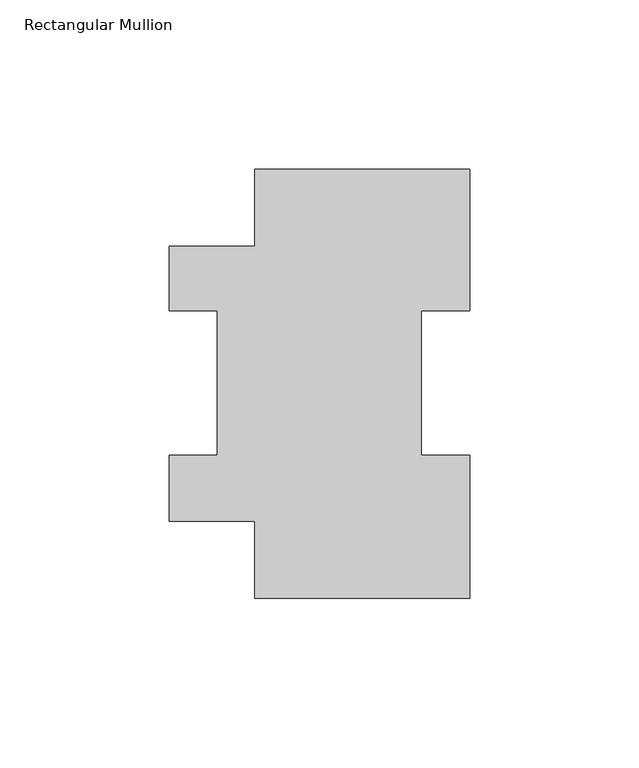
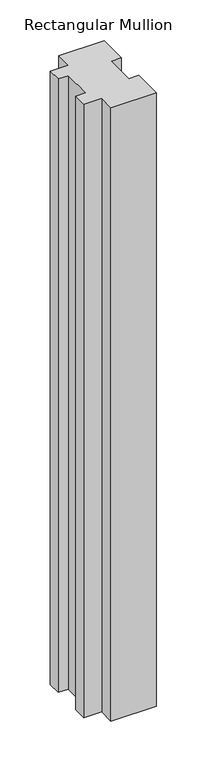
"""IFC4 building model written with IfcOpenShell, lengths in millimetres: member geometry, Rectangular Mullion."""

from ifc_helpers import new_model, si_unit, frame, origin, place, context, project, spatial, polyline, outline, extrude, source, transform, mapped, element, save


def rectangular_mullion_7852c584(model_context):
    return source(origin(), model_context, "Body", "SweptSolid", [
        extrude(outline(polyline([(31.75, 126.9888875), (31.75, 85.1296875), (17.4625, 85.1296875), (17.4625, 42.2798875), (31.75, 42.2798875), (31.75, -0.0111125), (-31.75, -0.0111125), (-31.75, 22.7980875), (-57.15, 22.7980875), (-57.15, 42.2798875), (-42.8625, 42.2798875), (-42.8625, 85.1296875), (-57.15, 85.1296875), (-57.15, 104.1796875), (-31.75, 104.1796875), (-31.75, 126.9888875), (31.75, 126.9888875)])), frame((0.0, 0.0, -914.4), z_axis=(0.0, 0.0, 1.0), x_axis=(1.0, 0.0, 0.0)), (0.0, 0.0, 1.0), 914.4),
    ])


if __name__ == "__main__":
    model = new_model("IFC4")
    model_context = context("Model", 3, world=origin())
    ifc_project = project(units=[si_unit("LENGTHUNIT", "METRE", prefix="MILLI")], contexts=[model_context])
    site = spatial("IfcSite", under=ifc_project)
    building = spatial("IfcBuilding", under=site)
    placement = place(None, origin())
    rectangular_mullion_shape = rectangular_mullion_7852c584(model_context)
    element("IfcMember", 1, ObjectType="Rectangular Mullion", at=placement, inside=building, context=model_context, shape_type="MappedRepresentation", body=[
        mapped(rectangular_mullion_shape, transform((0.0, 0.0, 0.0), x_axis=(1.0, 0.0, 0.0), y_axis=(0.0, 1.0, 0.0), z_axis=(0.0, 0.0, 1.0))),
    ])
    save(model, "model.ifc")
